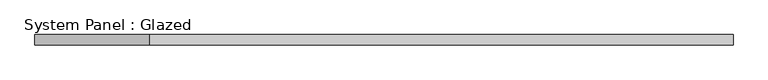
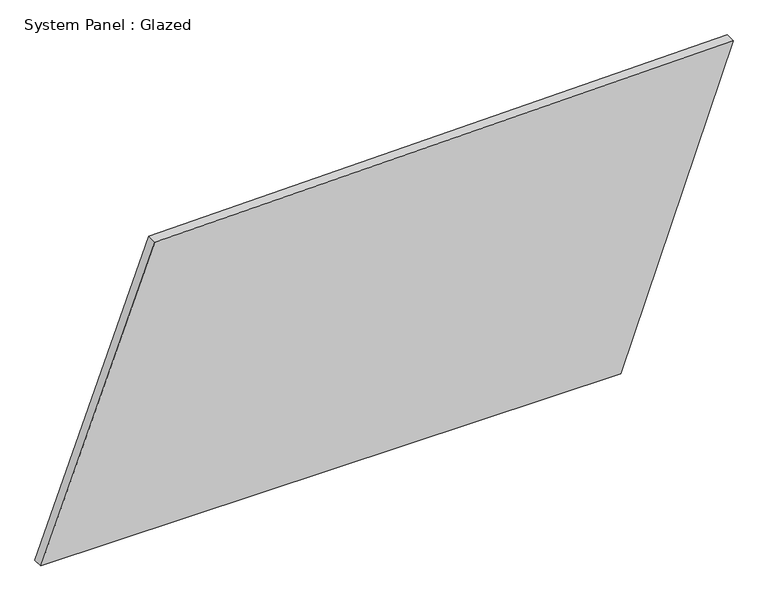
"""IFC4 building model written with IfcOpenShell, lengths in millimetres: plate geometry, System Panel : Glazed."""

from ifc_helpers import new_model, si_unit, frame, origin, place, context, project, spatial, polyline, outline, extrude, source, transform, mapped, element, save


def system_panel_glazed_c35dfd66(model_context):
    return source(origin(), model_context, "Body", "SweptSolid", [
        extrude(outline(polyline([(0.0, -844.5849226), (0.0, 570.1908008), (763.2975274, 844.5849226), (737.9951473, -566.655502), (0.0, -844.5849226)])), frame((0.0, -49.5, 0.0), z_axis=(0.0, 1.0, 0.0), x_axis=(0.0, 0.0, 1.0)), (0.0, 0.0, 1.0), 25.0),
    ])


if __name__ == "__main__":
    model = new_model("IFC4")
    model_context = context("Model", 3, world=origin())
    ifc_project = project(units=[si_unit("LENGTHUNIT", "METRE", prefix="MILLI")], contexts=[model_context])
    site = spatial("IfcSite", under=ifc_project)
    building = spatial("IfcBuilding", under=site)
    placement = place(None, origin())
    system_panel_glazed_shape = system_panel_glazed_c35dfd66(model_context)
    element("IfcPlate", 1, ObjectType="System Panel : Glazed", at=placement, inside=building, context=model_context, shape_type="MappedRepresentation", body=[
        mapped(system_panel_glazed_shape, transform((0.0, 0.0, 0.0), x_axis=(1.0, 0.0, 0.0), y_axis=(0.0, 1.0, 0.0), z_axis=(0.0, 0.0, 1.0))),
    ])
    save(model, "model.ifc")
